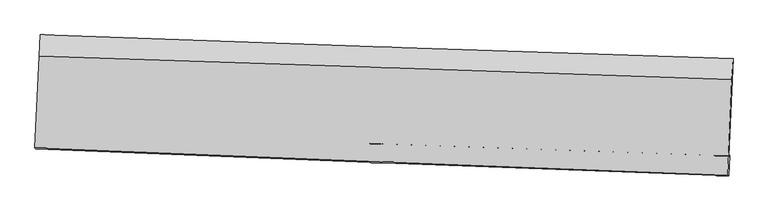
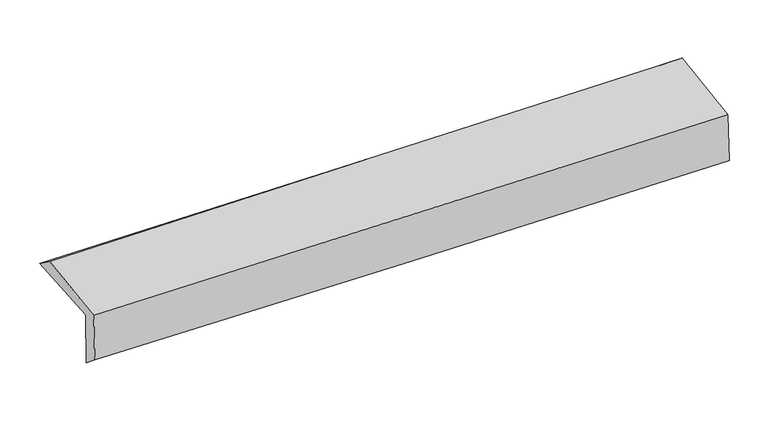
"""IFC4 building model written with IfcOpenShell, lengths in millimetres: proxy geometry."""

from ifc_helpers import new_model, si_unit, frame, origin, place, context, project, spatial, source, transform, mapped, element, save
from ifc_brep_helpers import plane_surface, spline_curve, spline_surface, advanced_brep


def generic_models_82e2ecb4(model_context):
    return source(origin(), model_context, "Body", "AdvancedBrep", [
        advanced_brep(
        [(-2397.6201623, -1719.9046112, 2010.754195), (-2367.0036307, -1058.4487348, 2019.0293773), (2395.1798182, -1223.2814507, 2094.5274968), (2365.8990528, -1891.8545715, 2088.8200146), (-2390.3611913, -1714.3252689, 1616.1673362), (2373.125451, -1888.7772089, 1691.2653076), (-2398.2626117, -1844.5440125, 1720.1847945), (2365.1491416, -2031.691373, 1786.3205072), (-2404.409482, -1839.2886207, 2080.4855433), (2358.6940433, -2026.2135503, 2161.7124766), (-2375.678279, -1204.0616165, 2126.2753417), (2386.8059097, -1367.5090679, 2208.6372848)],
        [
            (0, 1),
            (1, 2, spline_curve(3, [(-2367.0036307, -1058.4487348, 2019.0293773), (-1573.034542322, -1086.969073771, 2014.360907495), (-779.196096304, -1114.965479021, 2018.318380954), (808.198379716, -1169.909689555, 2043.484880227), (1601.754416564, -1196.857523089, 2064.693446272), (2395.1798182, -1223.2814507, 2094.5274968)], [4, 2, 4], [0.0, 7.81923933071126, 15.638270482864305])),
            (2, 3),
            (3, 0, spline_curve(3, [(2365.8990528, -1891.8545715, 2088.8200146), (1571.941756357, -1865.424907066, 2072.776173249), (778.008457844, -1837.881117211, 2058.248834082), (-809.83128196, -1780.564523183, 2032.226813509), (-1603.737721519, -1750.791659547, 2020.732212931), (-2397.6201623, -1719.9046112, 2010.754195)], [4, 2, 4], [0.0, 7.819031152153046, 15.638270482864305])),
            (4, 0),
            (3, 5),
            (5, 4, spline_curve(3, [(2373.125451, -1888.7772089, 1691.2653076), (1579.163362992, -1862.759370076, 1674.120549829), (785.230382878, -1835.213002618, 1659.290059008), (-802.598499449, -1777.062437475, 1634.257278753), (-1596.494400095, -1746.458157945, 1624.055112148), (-2390.3611913, -1714.3252689, 1616.1673362)], [4, 2, 4], [0.0, 7.820253374554468, 15.64071496020833])),
            (6, 4),
            (5, 7),
            (7, 6, spline_curve(3, [(2365.1491416, -2031.691373, 1786.3205072), (1571.267760145, -2001.057142677, 1772.879378226), (777.381374248, -1970.144625433, 1760.647561864), (-810.422543487, -1907.762186924, 1738.602259666), (-1604.340075153, -1876.292250626, 1728.788838678), (-2398.2626117, -1844.5440125, 1720.1847945)], [4, 2, 4], [0.0, 7.8204661245781555, 15.641140465920088])),
            (8, 6),
            (7, 9),
            (9, 8, spline_curve(3, [(2358.6940433, -2026.2135503, 2161.7124766), (1564.807369413, -1995.567841533, 2149.084287941), (770.944022285, -1964.668120454, 2136.00137882), (-816.757154156, -1902.359824291, 2108.925758746), (-1610.594981992, -1870.951235439, 2094.933023433), (-2404.409482, -1839.2886207, 2080.4855433)], [4, 2, 4], [0.0, 7.820595603057636, 15.641399426326362])),
            (10, 8),
            (9, 11),
            (11, 10, spline_curve(3, [(2386.8059097, -1367.5090679, 2208.6372848), (1593.151712268, -1338.131523031, 2195.840842892), (799.456215087, -1309.822296665, 2182.579224174), (-788.03851241, -1255.339756057, 2155.125267756), (-1581.837744651, -1229.16649853, 2140.932905481), (-2375.678279, -1204.0616165, 2126.2753417)], [4, 2, 4], [0.0, 7.819314989058854, 15.638838164232965])),
            (1, 10),
            (11, 2),
        ],
        [
            spline_surface(3, 3, [[(-2397.6201623, -1719.9046112, 2010.754195), (-1603.737721585, -1750.791659623, 2020.732212807), (-809.831281879, -1780.56452315, 2032.226813475), (778.008457764, -1837.881117244, 2058.248834117), (1571.941756427, -1865.424907175, 2072.776173273), (2365.8990528, -1891.8545715, 2088.8200146)], [(-2387.414651761, -1499.419319055, 2013.512589125), (-1593.503328522, -1529.517464346, 2018.608444354), (-799.61955335, -1558.698175062, 2027.590669324), (788.071765081, -1615.223974705, 2053.327516127), (1581.879309813, -1642.569112519, 2070.081930958), (2375.659307939, -1668.996864573, 2090.722508656)], [(-2377.209141239, -1278.934026945, 2016.270983175), (-1583.268935475, -1308.243269102, 2016.484675827), (-789.407824828, -1336.831827006, 2022.954525178), (798.135072393, -1392.566832198, 2048.406198143), (1591.816863181, -1419.713317843, 2067.387688675), (2385.419563061, -1446.139157627, 2092.625002744)], [(-2367.0036307, -1058.4487348, 2019.0293773), (-1573.034542412, -1086.969073824, 2014.360907373), (-779.196096299, -1114.965478917, 2018.318381027), (808.19837971, -1169.909689659, 2043.484880153), (1601.754416567, -1196.857523187, 2064.69344636), (2395.1798182, -1223.2814507, 2094.5274968)]], [4, 4], [4, 2, 4], [0.0, 2.1903948586230144], [0.0, 7.81923933071126, 15.638270482864305]),
            spline_surface(3, 3, [[(-2390.3611913, -1714.3252689, 1616.1673362), (-1596.494400004, -1746.45815802, 1624.055112272), (-802.598499448, -1777.062437414, 1634.257278696), (785.230382877, -1835.213002678, 1659.290059065), (1579.16336307, -1862.759369968, 1674.120549772), (2373.125451, -1888.7772089, 1691.2653076)], [(-2392.780848275, -1716.185049677, 1747.696289117), (-1598.908840507, -1747.902658565, 1756.280812434), (-805.009426925, -1778.22979932, 1766.913790267), (782.823074506, -1836.102374194, 1792.276317394), (1576.756160871, -1863.647882378, 1807.00575761), (2370.716651615, -1889.802996441, 1823.783543271)], [(-2395.200505325, -1718.044830423, 1879.225242083), (-1601.323281083, -1749.347159078, 1888.506512645), (-807.420354402, -1779.397161244, 1899.570301903), (780.415766135, -1836.991745728, 1925.262575788), (1574.348958627, -1864.536394765, 1939.890965435), (2368.307852185, -1890.828783959, 1956.301778929)], [(-2397.6201623, -1719.9046112, 2010.754195), (-1603.737721585, -1750.791659623, 2020.732212807), (-809.831281879, -1780.56452315, 2032.226813475), (778.008457764, -1837.881117244, 2058.248834117), (1571.941756427, -1865.424907175, 2072.776173273), (2365.8990528, -1891.8545715, 2088.8200146)]], [4, 4], [4, 2, 4], [0.0, 1.3075512544975707], [0.0, 7.820461585653862, 15.64071496020833]),
            spline_surface(3, 3, [[(-2398.2626117, -1844.5440125, 1720.1847945), (-1604.340075221, -1876.292250539, 1728.788838766), (-810.422543361, -1907.762186832, 1738.602259772), (777.381374122, -1970.144625525, 1760.647561759), (1571.267760062, -2001.057142709, 1772.87937827), (2365.1491416, -2031.691373, 1786.3205072)], [(-2395.628804929, -1801.137764629, 1685.512308416), (-1601.724850178, -1833.014219695, 1693.877596617), (-807.814528751, -1864.195603688, 1703.820599437), (779.997710347, -1925.167417905, 1726.861727551), (1573.899627728, -1954.957885104, 1739.959768763), (2367.807911396, -1984.053318275, 1754.635440659)], [(-2392.994998071, -1757.731516771, 1650.839822284), (-1599.109625048, -1789.736188864, 1658.966354421), (-805.206514059, -1820.629020559, 1669.038939031), (782.614046652, -1880.190210299, 1693.075893272), (1576.531495405, -1908.858627573, 1707.040159279), (2370.466681204, -1936.415263625, 1722.950374141)], [(-2390.3611913, -1714.3252689, 1616.1673362), (-1596.494400004, -1746.45815802, 1624.055112272), (-802.598499448, -1777.062437414, 1634.257278696), (785.230382877, -1835.213002678, 1659.290059065), (1579.16336307, -1862.759369968, 1674.120549772), (2373.125451, -1888.7772089, 1691.2653076)]], [4, 4], [4, 2, 4], [0.0, 0.5517255776900826], [0.0, 7.820674341341933, 15.641140465920088]),
            spline_surface(3, 3, [[(-2404.409482, -1839.2886207, 2080.4855433), (-1610.594982073, -1870.951235412, 2094.933023405), (-816.757154115, -1902.359824205, 2108.925758666), (770.944022244, -1964.66812054, 2136.0013789), (1564.807369353, -1995.567841625, 2149.084288044), (2358.6940433, -2026.2135503, 2161.7124766)], [(-2402.360525212, -1841.040417962, 1960.385293694), (-1608.510013101, -1872.731573782, 1972.884961852), (-814.645617177, -1904.160611742, 1985.484592373), (773.089806223, -1966.493622196, 2010.883439857), (1566.96083291, -1997.397608665, 2023.682651457), (2360.845742721, -2028.039491212, 2036.581820138)], [(-2400.311568488, -1842.792215238, 1840.285044106), (-1606.425044193, -1874.511912168, 1850.836900318), (-812.534080299, -1905.961399295, 1862.043426065), (775.235590143, -1968.319123868, 1885.765500801), (1569.114296505, -1999.227375668, 1898.281014857), (2362.997442179, -2029.865432088, 1911.451163662)], [(-2398.2626117, -1844.5440125, 1720.1847945), (-1604.340075221, -1876.292250539, 1728.788838766), (-810.422543361, -1907.762186832, 1738.602259772), (777.381374122, -1970.144625525, 1760.647561759), (1571.267760062, -2001.057142709, 1772.87937827), (2365.1491416, -2031.691373, 1786.3205072)]], [4, 4], [4, 2, 4], [0.0, 1.2235332914702746], [0.0, 7.820803823268727, 15.641399426326362]),
            spline_surface(3, 3, [[(-2375.678279, -1204.0616165, 2126.2753417), (-1581.837744608, -1229.166498518, 2140.932905554), (-788.03851235, -1255.339756011, 2155.125267835), (799.456215027, -1309.822296711, 2182.579224095), (1593.151712317, -1338.131522993, 2195.840842853), (2386.8059097, -1367.5090679, 2208.6372848)], [(-2385.25534667, -1415.803951246, 2111.012075575), (-1591.423490433, -1443.094744161, 2125.599611513), (-797.611392941, -1471.013112088, 2139.725431412), (789.952150763, -1528.104237999, 2167.053275664), (1583.703598001, -1557.276962531, 2180.255324607), (2377.435287571, -1587.077228694, 2192.995682091)], [(-2394.83241433, -1627.546285954, 2095.748809425), (-1601.009236248, -1657.022989768, 2110.266317447), (-807.184273524, -1686.686468128, 2124.325595089), (780.448086508, -1746.386179251, 2151.527327331), (1574.255483669, -1776.422402087, 2164.66980629), (2368.064665429, -1806.645389506, 2177.354079309)], [(-2404.409482, -1839.2886207, 2080.4855433), (-1610.594982073, -1870.951235412, 2094.933023405), (-816.757154115, -1902.359824205, 2108.925758666), (770.944022244, -1964.66812054, 2136.0013789), (1564.807369353, -1995.567841625, 2149.084288044), (2358.6940433, -2026.2135503, 2161.7124766)]], [4, 4], [4, 2, 4], [0.0, 2.1430799685255177], [0.0, 7.819523175174111, 15.638838164232965]),
            spline_surface(3, 3, [[(-2367.0036307, -1058.4487348, 2019.0293773), (-1573.034542412, -1086.969073824, 2014.360907373), (-779.196096299, -1114.965478917, 2018.318381027), (808.19837971, -1169.909689659, 2043.484880153), (1601.754416567, -1196.857523187, 2064.69344636), (2395.1798182, -1223.2814507, 2094.5274968)], [(-2369.895180152, -1106.986362031, 2054.778032074), (-1575.968943163, -1134.368215387, 2056.551573408), (-782.143568307, -1161.75690463, 2063.920676657), (805.284324824, -1216.547225357, 2089.849661495), (1598.886848475, -1243.94885646, 2108.409245176), (2392.388515358, -1271.357323104, 2132.564092786)], [(-2372.786729548, -1155.523989269, 2090.526686926), (-1578.903343857, -1181.767356955, 2098.74223952), (-785.091040341, -1208.548330299, 2109.522972204), (802.370269913, -1263.184761012, 2136.214442753), (1596.019280409, -1291.04018972, 2152.125044036), (2389.597212542, -1319.433195496, 2170.600688814)], [(-2375.678279, -1204.0616165, 2126.2753417), (-1581.837744608, -1229.166498518, 2140.932905554), (-788.03851235, -1255.339756011, 2155.125267835), (799.456215027, -1309.822296711, 2182.579224095), (1593.151712317, -1338.131522993, 2195.840842853), (2386.8059097, -1367.5090679, 2208.6372848)]], [4, 4], [4, 2, 4], [0.0, 0.6458160987882267], [0.0, 7.81814572482554, 15.636083300208908]),
            plane_surface(frame((2374.1422361, -1738.2212037, 2005.213848), z_axis=(0.9988770951553223, -0.04389882663729878, 0.01781689630473678), x_axis=(0.017191250229848052, -0.014588565124322002, -0.9997457850289484))),
            plane_surface(frame((-2388.8892262, -1563.4288108, 1928.816098), z_axis=(-0.9987634450124132, 0.04645099347851627, -0.017716831313624466), x_axis=(-0.04623346795167363, -0.9988524973008395, -0.012496202504687408))),
        ],
        [
            (0, [[1, 2, 3, 4]]),
            (1, [[5, -4, 6, 7]]),
            (2, [[8, -7, 9, 10]]),
            (3, [[11, -10, 12, 13]]),
            (4, [[14, -13, 15, 16]]),
            (5, [[17, -16, 18, -2]]),
            (6, [[-12, -9, -6, -3, -18, -15]]),
            (7, [[-1, -5, -8, -11, -14, -17]]),
        ],
    ),
    ])


if __name__ == "__main__":
    model = new_model("IFC4")
    model_context = context("Model", 3, world=origin())
    ifc_project = project(units=[si_unit("LENGTHUNIT", "METRE", prefix="MILLI")], contexts=[model_context])
    site = spatial("IfcSite", under=ifc_project)
    building = spatial("IfcBuilding", under=site)
    placement = place(None, origin())
    generic_models_shape = generic_models_82e2ecb4(model_context)
    element("IfcBuildingElementProxy", 1, Name="Generic Models", at=placement, inside=building, context=model_context, shape_type="MappedRepresentation", body=[
        mapped(generic_models_shape, transform((0.0, 0.0, 0.0), x_axis=(1.0, 0.0, 0.0), y_axis=(0.0, 1.0, 0.0), z_axis=(0.0, 0.0, 1.0))),
    ])
    save(model, "model.ifc")
